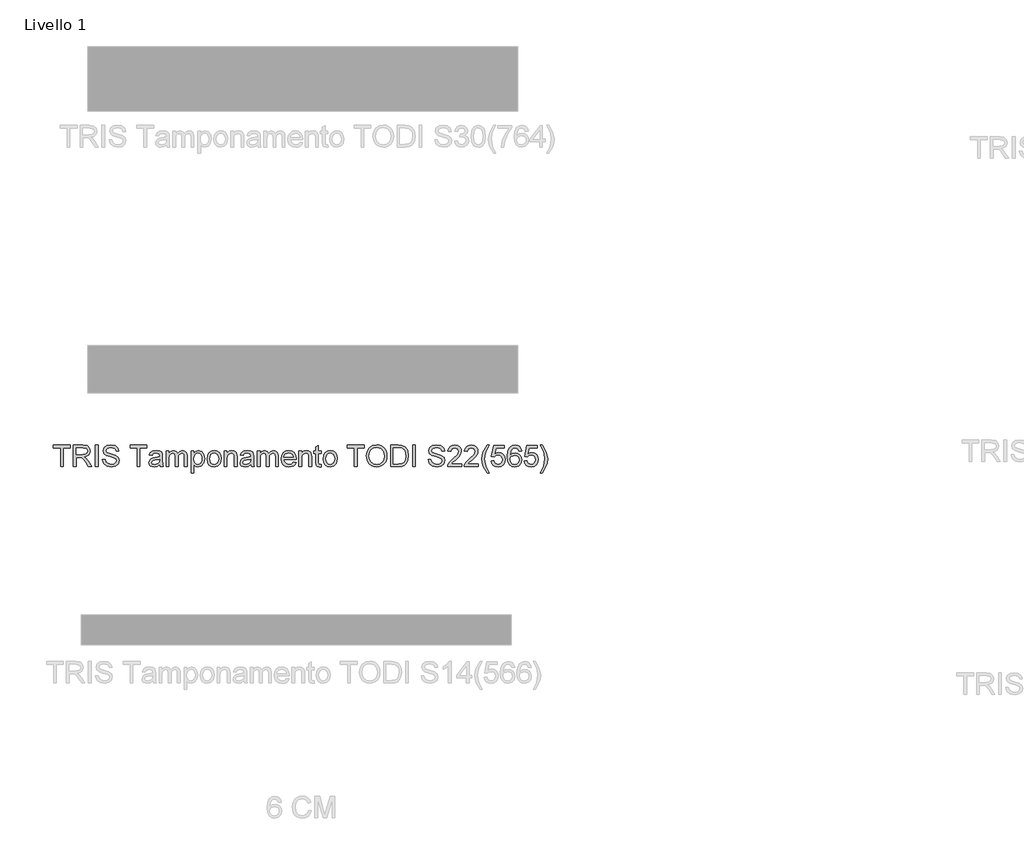
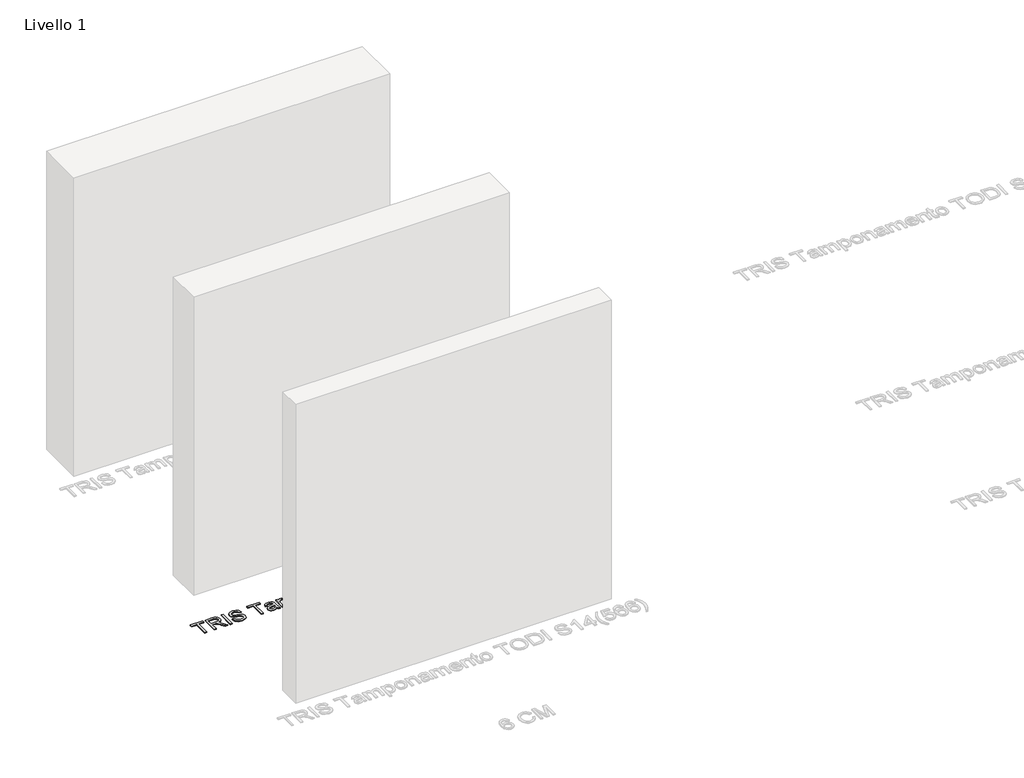
# One storey, part 3 of 18: 1 proxy.
"""IFC4 building model written with IfcOpenShell, lengths in millimetres."""

from ifc_helpers import new_model, si_unit, origin, origin_with_axes, place, context, project, spatial, polyline, outline, extrude, element, save

model = new_model("IFC4")

# Units and contexts
model_context = context("Model", 3, world=origin())
ifc_project = project(units=[si_unit("LENGTHUNIT", "METRE", prefix="MILLI")], contexts=[model_context])

# Site, building, storey
site = spatial("IfcSite", under=ifc_project)
building = spatial("IfcBuilding", under=site)
storey = spatial("IfcBuildingStorey", under=building, Name="Livello 1", Elevation=0.0)

# Proxy
placement = place(None, origin())
element("IfcBuildingElementProxy", 1, Name="100", ObjectType="100", at=placement, inside=storey, context=model_context, shape_type="SweptSolid", body=[
    extrude(outline(polyline([(-5546.4576679, -3202.2250574), (-5546.4576679, -3114.3257861), (-5579.4198946, -3114.3257861), (-5579.4198946, -3101.7687473), (-5500.9384023, -3101.7687473), (-5500.9384023, -3114.3257861), (-5533.9006291, -3114.3257861), (-5533.9006291, -3202.2250574), (-5546.4576679, -3202.2250574)])), origin_with_axes(), (0.0, 0.0, 1.0), 5.0),
    extrude(outline(polyline([(-5486.8117337, -3202.2250574), (-5486.8117337, -3101.7687473), (-5443.5242856, -3101.7687473), (-5423.4256659, -3104.4788113), (-5412.438257, -3114.0682687), (-5408.3302414, -3129.2617951), (-5410.0316956, -3139.1578207), (-5415.1360583, -3147.3615892), (-5423.7966136, -3153.3764599), (-5436.1666457, -3156.7057919), (-5429.029735, -3162.076869), (-5418.8516665, -3175.0017898), (-5402.100773, -3202.2250574), (-5416.6934254, -3202.2250574), (-5429.765499, -3181.4029365), (-5439.2078035, -3167.6196244), (-5445.8419422, -3161.1081131), (-5451.8138932, -3158.7168801), (-5459.0979567, -3158.2754218), (-5474.2546949, -3158.2754218), (-5474.2546949, -3202.2250574), (-5486.8117337, -3202.2250574)]), holes=[polyline([(-5474.2546949, -3145.718383), (-5446.1485105, -3145.718383), (-5431.8133754, -3143.9402867), (-5423.6709206, -3138.2503785), (-5420.8872802, -3129.7277789), (-5426.1970436, -3118.6667936), (-5442.9847254, -3114.3257861), (-5474.2546949, -3114.3257861), (-5474.2546949, -3145.718383)])]), origin_with_axes(), (0.0, 0.0, 1.0), 5.0),
    extrude(outline(polyline([(-5384.7857937, -3202.2250574), (-5384.7857937, -3101.7687473), (-5372.2287549, -3101.7687473), (-5372.2287549, -3202.2250574), (-5384.7857937, -3202.2250574)])), origin_with_axes(), (0.0, 0.0, 1.0), 5.0),
    extrude(outline(polyline([(-5351.8235669, -3167.6932008), (-5339.2665282, -3167.6932008), (-5335.2198262, -3180.2625023), (-5325.3360633, -3188.2087534), (-5310.277427, -3191.2376485), (-5297.1563025, -3188.9445174), (-5288.6827538, -3182.6414726), (-5285.8991134, -3174.2169749), (-5287.9837781, -3166.3810884), (-5296.5186403, -3160.6789175), (-5314.8023755, -3155.8841888), (-5334.4840622, -3149.6915085), (-5345.1649028, -3140.3473059), (-5348.6843073, -3127.8638435), (-5344.331037, -3113.6513357), (-5331.6145827, -3103.62042), (-5312.9997537, -3100.1991174), (-5293.134126, -3103.7798355), (-5279.8903742, -3114.3012606), (-5274.9117045, -3130.0220845), (-5287.4687433, -3130.0220845), (-5289.7741371, -3122.5295546), (-5294.5811285, -3117.1216892), (-5312.5092444, -3112.7561562), (-5330.4864112, -3117.0726383), (-5336.1272685, -3127.4959615), (-5332.1296175, -3136.202502), (-5311.6263276, -3143.2167854), (-5289.4062551, -3149.5198303), (-5277.2538865, -3159.6978988), (-5273.3420746, -3173.8981438), (-5277.8424977, -3188.919992), (-5290.7919439, -3199.8828754), (-5309.7869176, -3203.7946873), (-5332.2154566, -3199.5763071), (-5346.4034389, -3186.8721155), (-5351.8235669, -3167.6932008)])), origin_with_axes(), (0.0, 0.0, 1.0), 5.0),
    extrude(outline(polyline([(-5190.1516928, -3202.2250574), (-5190.1516928, -3114.3257861), (-5223.1139196, -3114.3257861), (-5223.1139196, -3101.7687473), (-5144.6324273, -3101.7687473), (-5144.6324273, -3114.3257861), (-5177.594654, -3114.3257861), (-5177.594654, -3202.2250574), (-5190.1516928, -3202.2250574)])), origin_with_axes(), (0.0, 0.0, 1.0), 5.0),
    extrude(outline(polyline([(-5084.9864931, -3192.8072784), (-5097.1633872, -3201.3176152), (-5110.6156054, -3203.7946873), (-5121.1094394, -3202.3047652), (-5128.8502897, -3197.834999), (-5133.6235586, -3191.0475762), (-5135.2146482, -3182.6046844), (-5132.8111525, -3172.6718705), (-5126.4958449, -3165.4613834), (-5117.7034652, -3161.341105), (-5106.8386836, -3159.4526441), (-5085.0600695, -3155.1361621), (-5084.9864931, -3152.3402589), (-5088.4445839, -3143.0696326), (-5102.3259978, -3139.4398636), (-5115.0301894, -3141.855622), (-5121.0879796, -3150.4272725), (-5133.6450183, -3148.8576427), (-5128.2126275, -3136.5949095), (-5117.2742696, -3129.4089479), (-5100.707317, -3126.8828248), (-5085.4892652, -3129.1146423), (-5076.8930892, -3134.7187113), (-5073.042591, -3143.2413109), (-5072.4294543, -3154.2287198), (-5072.4294543, -3169.8514419), (-5071.7917922, -3191.6668442), (-5069.2901947, -3202.2250574), (-5081.8472334, -3202.2250574), (-5084.9864931, -3192.8072784)]), holes=[polyline([(-5084.9864931, -3167.6932008), (-5105.2445283, -3171.543699), (-5116.0479962, -3173.5793128), (-5120.9408268, -3176.8902507), (-5122.6576094, -3181.7217676), (-5118.9174758, -3188.5153218), (-5107.9423296, -3191.2376485), (-5095.238138, -3188.2332789), (-5087.0466323, -3180.9614781), (-5085.0600695, -3171.2493935), (-5084.9864931, -3167.6932008)])]), origin_with_axes(), (0.0, 0.0, 1.0), 5.0),
    extrude(outline(polyline([(-5055.163526, -3202.2250574), (-5055.163526, -3128.4524547), (-5042.6064873, -3128.4524547), (-5042.6064873, -3140.5925605), (-5033.9735231, -3130.6474839), (-5021.6862645, -3126.8828248), (-5009.1047002, -3130.7210603), (-5002.1885187, -3141.4754773), (-4992.3905949, -3130.530988), (-4980.0174972, -3126.8828248), (-4970.5782583, -3128.4003381), (-4963.5976974, -3132.9528778), (-4959.284281, -3140.6630712), (-4957.8464756, -3151.6535458), (-4957.8464756, -3202.2250574), (-4970.4035143, -3202.2250574), (-4970.4035143, -3157.0491484), (-4971.568474, -3146.5645116), (-4975.7868542, -3141.4019009), (-4982.9605531, -3139.4398636), (-4995.3091254, -3144.4675842), (-4998.9971424, -3151.0097523), (-5000.2264814, -3160.5808156), (-5000.2264814, -3202.2250574), (-5012.7835202, -3202.2250574), (-5012.7835202, -3155.6511969), (-5015.689788, -3143.4865655), (-5025.2179316, -3139.4398636), (-5034.5130834, -3142.1376649), (-5040.6935009, -3150.0348651), (-5042.6064873, -3165.019925), (-5042.6064873, -3202.2250574), (-5055.163526, -3202.2250574)])), origin_with_axes(), (0.0, 0.0, 1.0), 5.0),
    extrude(outline(polyline([(-4939.0109174, -3230.4783947), (-4939.0109174, -3128.4524547), (-4926.4538787, -3128.4524547), (-4926.4538787, -3140.7642388), (-4917.7718636, -3130.3531783), (-4906.0486907, -3126.8828248), (-4890.131663, -3131.7388672), (-4879.7328653, -3145.4240774), (-4876.2257236, -3164.7746703), (-4880.1865864, -3185.1185447), (-4891.6890301, -3198.9754332), (-4907.5692696, -3203.7946873), (-4918.4953648, -3200.5695885), (-4926.4538787, -3192.4148709), (-4926.4538787, -3230.4783947), (-4939.0109174, -3230.4783947)]), holes=[polyline([(-4926.4538787, -3165.9273673), (-4925.095781, -3177.1845563), (-4921.0214879, -3185.057231), (-4915.0096829, -3189.6925441), (-4907.8390497, -3191.2376485), (-4900.5519205, -3189.6373618), (-4894.3868314, -3184.8365018), (-4890.1837796, -3176.6756529), (-4888.7827624, -3164.9953995), (-4890.1500571, -3153.7995241), (-4894.2519413, -3145.8164849), (-4900.2545492, -3141.0340189), (-4907.3240149, -3139.4398636), (-4914.4210717, -3141.1351865), (-4920.6536059, -3146.221155), (-4925.0038105, -3154.5383538), (-4926.4538787, -3165.9273673)])]), origin_with_axes(), (0.0, 0.0, 1.0), 5.0),
    extrude(outline(polyline([(-4865.2383147, -3165.3387561), (-4862.5221193, -3147.5516616), (-4854.3735331, -3135.0498051), (-4844.3058291, -3128.9245699), (-4832.2515624, -3126.8828248), (-4819.0599272, -3129.369094), (-4808.5231737, -3136.8279014), (-4801.6161893, -3148.670636), (-4799.3138611, -3164.3086865), (-4803.3850885, -3186.6513863), (-4815.2431515, -3199.2942642), (-4832.2515624, -3203.7946873), (-4845.6026132, -3201.3176152), (-4856.1271039, -3193.8863989), (-4862.960512, -3181.795344), (-4865.2383147, -3165.3387561)]), holes=[polyline([(-4852.6812759, -3165.3142306), (-4851.228142, -3176.6787186), (-4846.8687404, -3184.7751881), (-4840.3081781, -3189.6220334), (-4832.2515624, -3191.2376485), (-4824.2317349, -3189.6128364), (-4817.6834354, -3184.7383999), (-4813.3240338, -3176.5346314), (-4811.8708999, -3164.9218231), (-4813.3332308, -3153.888429), (-4817.7202236, -3145.902324), (-4824.2777202, -3141.0554787), (-4832.2515624, -3139.4398636), (-4840.3081781, -3141.0493473), (-4846.8687404, -3145.8777985), (-4851.228142, -3153.955874), (-4852.6812759, -3165.3142306)])]), origin_with_axes(), (0.0, 0.0, 1.0), 5.0),
    extrude(outline(polyline([(-4785.1871925, -3202.2250574), (-4785.1871925, -3128.4524547), (-4772.6301537, -3128.4524547), (-4772.6301537, -3138.7531505), (-4763.0284337, -3129.8504063), (-4749.9195719, -3126.8828248), (-4738.0615089, -3129.2740578), (-4729.968105, -3135.5525772), (-4726.203446, -3144.7864153), (-4725.5412584, -3156.9265211), (-4725.5412584, -3202.2250574), (-4738.0982971, -3202.2250574), (-4738.0982971, -3158.6187783), (-4739.5452996, -3147.508742), (-4744.6588594, -3141.6348928), (-4753.2795608, -3139.4398636), (-4766.9034574, -3144.3694823), (-4771.1984796, -3151.5125244), (-4772.6301537, -3163.0824132), (-4772.6301537, -3202.2250574), (-4785.1871925, -3202.2250574)])), origin_with_axes(), (0.0, 0.0, 1.0), 5.0),
    extrude(outline(polyline([(-4661.1864347, -3192.8072784), (-4673.3633287, -3201.3176152), (-4686.815547, -3203.7946873), (-4697.3093809, -3202.3047652), (-4705.0502312, -3197.834999), (-4709.8235001, -3191.0475762), (-4711.4145897, -3182.6046844), (-4709.011094, -3172.6718705), (-4702.6957865, -3165.4613834), (-4693.9034068, -3161.341105), (-4683.0386252, -3159.4526441), (-4661.2600111, -3155.1361621), (-4661.1864347, -3152.3402589), (-4664.6445254, -3143.0696326), (-4678.5259394, -3139.4398636), (-4691.2301309, -3141.855622), (-4697.2879211, -3150.4272725), (-4709.8449599, -3148.8576427), (-4704.4125691, -3136.5949095), (-4693.4742111, -3129.4089479), (-4676.9072586, -3126.8828248), (-4661.6892067, -3129.1146423), (-4653.0930308, -3134.7187113), (-4649.2425326, -3143.2413109), (-4648.6293959, -3154.2287198), (-4648.6293959, -3169.8514419), (-4647.9917338, -3191.6668442), (-4645.4901362, -3202.2250574), (-4658.047175, -3202.2250574), (-4661.1864347, -3192.8072784)]), holes=[polyline([(-4661.1864347, -3167.6932008), (-4681.4444699, -3171.543699), (-4692.2479378, -3173.5793128), (-4697.1407683, -3176.8902507), (-4698.857551, -3181.7217676), (-4695.1174174, -3188.5153218), (-4684.1422712, -3191.2376485), (-4671.4380796, -3188.2332789), (-4663.2465738, -3180.9614781), (-4661.2600111, -3171.2493935), (-4661.1864347, -3167.6932008)])]), origin_with_axes(), (0.0, 0.0, 1.0), 5.0),
    extrude(outline(polyline([(-4631.3634676, -3202.2250574), (-4631.3634676, -3128.4524547), (-4618.8064288, -3128.4524547), (-4618.8064288, -3140.5925605), (-4610.1734647, -3130.6474839), (-4597.886206, -3126.8828248), (-4585.3046418, -3130.7210603), (-4578.3884603, -3141.4754773), (-4568.5905365, -3130.530988), (-4556.2174387, -3126.8828248), (-4546.7781999, -3128.4003381), (-4539.797639, -3132.9528778), (-4535.4842226, -3140.6630712), (-4534.0464171, -3151.6535458), (-4534.0464171, -3202.2250574), (-4546.6034559, -3202.2250574), (-4546.6034559, -3157.0491484), (-4547.7684156, -3146.5645116), (-4551.9867958, -3141.4019009), (-4559.1604947, -3139.4398636), (-4571.509067, -3144.4675842), (-4575.197084, -3151.0097523), (-4576.426423, -3160.5808156), (-4576.426423, -3202.2250574), (-4588.9834617, -3202.2250574), (-4588.9834617, -3155.6511969), (-4591.8897295, -3143.4865655), (-4601.4178732, -3139.4398636), (-4610.7130249, -3142.1376649), (-4616.8934425, -3150.0348651), (-4618.8064288, -3165.019925), (-4618.8064288, -3202.2250574), (-4631.3634676, -3202.2250574)])), origin_with_axes(), (0.0, 0.0, 1.0), 5.0),
    extrude(outline(polyline([(-4463.5602269, -3180.2502396), (-4451.2484428, -3181.8198694), (-4455.6844865, -3191.0966271), (-4462.7631492, -3198.0312027), (-4472.3250154, -3202.3538161), (-4484.2106695, -3203.7946873), (-4498.9443434, -3201.3084181), (-4510.2812402, -3193.8496107), (-4517.5101215, -3181.9026429), (-4519.9197485, -3165.9518927), (-4517.485596, -3149.464648), (-4510.1831384, -3137.1344698), (-4498.9995257, -3129.4457361), (-4484.921908, -3126.8828248), (-4471.2826831, -3129.4396047), (-4460.384179, -3137.1099443), (-4453.2380712, -3149.415597), (-4450.8560353, -3165.8783163), (-4450.9296117, -3169.2628307), (-4507.3627098, -3169.2628307), (-4505.1891403, -3178.6622157), (-4500.1399599, -3185.5722658), (-4492.8528307, -3189.8213028), (-4483.9654149, -3191.2376485), (-4471.6536308, -3188.6134236), (-4463.5602269, -3180.2502396)]), holes=[polyline([(-4507.3627098, -3156.7057919), (-4463.4130741, -3156.7057919), (-4468.4407947, -3145.3259755), (-4475.7616464, -3140.9113916), (-4484.970959, -3139.4398636), (-4500.4342655, -3144.1364904), (-4505.2995049, -3149.6271292), (-4507.3627098, -3156.7057919)])]), origin_with_axes(), (0.0, 0.0, 1.0), 5.0),
    extrude(outline(polyline([(-4438.2989965, -3202.2250574), (-4438.2989965, -3128.4524547), (-4425.7419578, -3128.4524547), (-4425.7419578, -3138.7531505), (-4416.1402377, -3129.8504063), (-4403.0313759, -3126.8828248), (-4391.1733129, -3129.2740578), (-4383.079909, -3135.5525772), (-4379.31525, -3144.7864153), (-4378.6530624, -3156.9265211), (-4378.6530624, -3202.2250574), (-4391.2101011, -3202.2250574), (-4391.2101011, -3158.6187783), (-4392.6571037, -3147.508742), (-4397.7706634, -3141.6348928), (-4406.3913648, -3139.4398636), (-4420.0152614, -3144.3694823), (-4424.3102837, -3151.5125244), (-4425.7419578, -3163.0824132), (-4425.7419578, -3202.2250574), (-4438.2989965, -3202.2250574)])), origin_with_axes(), (0.0, 0.0, 1.0), 5.0),
    extrude(outline(polyline([(-4334.7034267, -3191.7526833), (-4333.1337968, -3202.5929394), (-4342.5270504, -3203.7946873), (-4353.0484755, -3201.7100227), (-4358.2969253, -3196.2408437), (-4359.8175042, -3181.9915477), (-4359.8175042, -3141.0094934), (-4369.2352833, -3141.0094934), (-4369.2352833, -3128.4524547), (-4359.8175042, -3128.4524547), (-4359.8175042, -3110.5243388), (-4347.2604655, -3103.1421734), (-4347.2604655, -3128.4524547), (-4334.7034267, -3128.4524547), (-4334.7034267, -3141.0094934), (-4347.2604655, -3141.0094934), (-4347.2604655, -3181.6236657), (-4346.5982779, -3188.0983888), (-4344.4522996, -3190.3915199), (-4340.1726057, -3191.2376485), (-4334.7034267, -3191.7526833)])), origin_with_axes(), (0.0, 0.0, 1.0), 5.0),
    extrude(outline(polyline([(-4325.2856476, -3165.3387561), (-4322.5694522, -3147.5516616), (-4314.420866, -3135.0498051), (-4304.3531621, -3128.9245699), (-4292.2988954, -3126.8828248), (-4279.1072602, -3129.369094), (-4268.5705067, -3136.8279014), (-4261.6635222, -3148.670636), (-4259.3611941, -3164.3086865), (-4263.4324215, -3186.6513863), (-4275.2904845, -3199.2942642), (-4292.2988954, -3203.7946873), (-4305.6499461, -3201.3176152), (-4316.1744369, -3193.8863989), (-4323.0078449, -3181.795344), (-4325.2856476, -3165.3387561)]), holes=[polyline([(-4312.7286088, -3165.3142306), (-4311.275475, -3176.6787186), (-4306.9160733, -3184.7751881), (-4300.3555111, -3189.6220334), (-4292.2988954, -3191.2376485), (-4284.2790679, -3189.6128364), (-4277.7307684, -3184.7383999), (-4273.3713667, -3176.5346314), (-4271.9182328, -3164.9218231), (-4273.3805638, -3153.888429), (-4277.7675566, -3145.902324), (-4284.3250531, -3141.0554787), (-4292.2988954, -3139.4398636), (-4300.3555111, -3141.0493473), (-4306.9160733, -3145.8777985), (-4311.275475, -3153.955874), (-4312.7286088, -3165.3142306)])]), origin_with_axes(), (0.0, 0.0, 1.0), 5.0),
    extrude(outline(polyline([(-4179.3100719, -3202.2250574), (-4179.3100719, -3114.3257861), (-4212.2722987, -3114.3257861), (-4212.2722987, -3101.7687473), (-4133.7908064, -3101.7687473), (-4133.7908064, -3114.3257861), (-4166.7530332, -3114.3257861), (-4166.7530332, -3202.2250574), (-4179.3100719, -3202.2250574)])), origin_with_axes(), (0.0, 0.0, 1.0), 5.0),
    extrude(outline(polyline([(-4124.3730273, -3153.3212776), (-4121.0253012, -3131.1073364), (-4110.9821227, -3114.3012606), (-4095.6475749, -3103.7246532), (-4076.4257406, -3100.1991174), (-4063.2494338, -3101.8545864), (-4051.4342904, -3106.8209934), (-4041.6241039, -3114.7488504), (-4034.4626677, -3125.2886695), (-4030.0848719, -3137.9315474), (-4028.6256067, -3152.1685806), (-4030.161514, -3166.5956862), (-4034.769236, -3179.4163737), (-4042.194321, -3189.974587), (-4052.1823171, -3197.6142698), (-4063.896293, -3202.2495829), (-4076.499317, -3203.7946873), (-4089.8779589, -3202.0871017), (-4101.7605473, -3196.9643449), (-4111.5462084, -3188.8893351), (-4118.6340682, -3178.3249905), (-4124.3730273, -3153.3212776)]), holes=[polyline([(-4111.8159885, -3153.4439049), (-4109.3051939, -3169.1585974), (-4101.7728101, -3181.1331564), (-4090.4512417, -3188.7115255), (-4076.5728934, -3191.2376485), (-4062.49221, -3188.687), (-4051.1522475, -3181.0350545), (-4043.675046, -3168.6926136), (-4041.1826455, -3152.0704788), (-4045.4500766, -3131.3464597), (-4057.9212762, -3117.6244613), (-4076.3521642, -3112.7561562), (-4089.8595648, -3115.1014039), (-4101.3436144, -3122.1371471), (-4109.197895, -3134.654332), (-4111.8159885, -3153.4439049)])]), origin_with_axes(), (0.0, 0.0, 1.0), 5.0),
    extrude(outline(polyline([(-4011.3596784, -3202.2250574), (-4011.3596784, -3101.7687473), (-3976.7051944, -3101.7687473), (-3958.7770785, -3103.2157498), (-3944.0127478, -3110.4017114), (-3932.1178966, -3127.5695379), (-3928.1692965, -3151.4573421), (-3930.8425724, -3171.72764), (-3937.709703, -3186.3570807), (-3946.8822274, -3195.4682915), (-3958.8874431, -3200.5082748), (-3975.0374627, -3202.2250574), (-4011.3596784, -3202.2250574)]), holes=[polyline([(-3998.8026396, -3189.6680187), (-3976.5825671, -3189.6680187), (-3960.4202848, -3187.8531342), (-3951.1006076, -3182.7273117), (-3943.4609248, -3170.2561121), (-3940.7263353, -3151.2611384), (-3942.0660389, -3137.5759282), (-3946.0851497, -3127.471436), (-3959.1204351, -3116.3368743), (-3976.9259236, -3114.3257861), (-3998.8026396, -3114.3257861), (-3998.8026396, -3189.6680187)])]), origin_with_axes(), (0.0, 0.0, 1.0), 5.0),
    extrude(outline(polyline([(-3909.3337384, -3202.2250574), (-3909.3337384, -3101.7687473), (-3896.7766996, -3101.7687473), (-3896.7766996, -3202.2250574), (-3909.3337384, -3202.2250574)])), origin_with_axes(), (0.0, 0.0, 1.0), 5.0),
    extrude(outline(polyline([(-3837.1307655, -3167.6932008), (-3824.5737267, -3167.6932008), (-3820.5270248, -3180.2625023), (-3810.6432618, -3188.2087534), (-3795.5846255, -3191.2376485), (-3782.463501, -3188.9445174), (-3773.9899524, -3182.6414726), (-3771.2063119, -3174.2169749), (-3773.2909766, -3166.3810884), (-3781.8258389, -3160.6789175), (-3800.109574, -3155.8841888), (-3819.7912608, -3149.6915085), (-3830.4721014, -3140.3473059), (-3833.9915058, -3127.8638435), (-3829.6382355, -3113.6513357), (-3816.9217812, -3103.62042), (-3798.3069522, -3100.1991174), (-3778.4413245, -3103.7798355), (-3765.1975727, -3114.3012606), (-3760.218903, -3130.0220845), (-3772.7759418, -3130.0220845), (-3775.0813356, -3122.5295546), (-3779.888327, -3117.1216892), (-3797.8164429, -3112.7561562), (-3815.7936098, -3117.0726383), (-3821.434467, -3127.4959615), (-3817.436816, -3136.202502), (-3796.9335261, -3143.2167854), (-3774.7134536, -3149.5198303), (-3762.5610851, -3159.6978988), (-3758.6492732, -3173.8981438), (-3763.1496962, -3188.919992), (-3776.0991425, -3199.8828754), (-3795.0941162, -3203.7946873), (-3817.5226551, -3199.5763071), (-3831.7106374, -3186.8721155), (-3837.1307655, -3167.6932008)])), origin_with_axes(), (0.0, 0.0, 1.0), 5.0),
    extrude(outline(polyline([(-3680.1677809, -3189.6680187), (-3680.1677809, -3202.2250574), (-3746.0922344, -3202.2250574), (-3744.7433338, -3193.5675678), (-3737.1159137, -3180.2379769), (-3721.3950898, -3165.6821126), (-3699.7145775, -3144.7618898), (-3694.2944495, -3130.5371193), (-3699.4080092, -3119.0224129), (-3712.7621256, -3114.3257861), (-3726.6803278, -3118.9120483), (-3731.9655658, -3131.5917144), (-3744.5226046, -3130.0220845), (-3741.478381, -3117.8758473), (-3734.896359, -3109.0037599), (-3725.119895, -3103.5775004), (-3712.4923455, -3101.7687473), (-3699.7728255, -3103.7798355), (-3690.0147556, -3109.8131003), (-3683.8067469, -3118.8262091), (-3681.7374107, -3129.7768299), (-3683.9692281, -3141.6839438), (-3691.3881817, -3153.9957279), (-3709.3776113, -3171.2003425), (-3723.823111, -3183.2791347), (-3729.4884937, -3189.6680187), (-3680.1677809, -3189.6680187)])), origin_with_axes(), (0.0, 0.0, 1.0), 5.0),
    extrude(outline(polyline([(-3603.2559184, -3189.6680187), (-3603.2559184, -3202.2250574), (-3669.1803719, -3202.2250574), (-3667.8314713, -3193.5675678), (-3660.2040513, -3180.2379769), (-3644.4832273, -3165.6821126), (-3622.8027151, -3144.7618898), (-3617.382587, -3130.5371193), (-3622.4961468, -3119.0224129), (-3635.8502632, -3114.3257861), (-3649.7684653, -3118.9120483), (-3655.0537033, -3131.5917144), (-3667.6107421, -3130.0220845), (-3664.5665186, -3117.8758473), (-3657.9844966, -3109.0037599), (-3648.2080325, -3103.5775004), (-3635.580483, -3101.7687473), (-3622.8609631, -3103.7798355), (-3613.1028931, -3109.8131003), (-3606.8948845, -3118.8262091), (-3604.8255483, -3129.7768299), (-3607.0573657, -3141.6839438), (-3614.4763193, -3153.9957279), (-3632.4657488, -3171.2003425), (-3646.9112485, -3183.2791347), (-3652.5766312, -3189.6680187), (-3603.2559184, -3189.6680187)])), origin_with_axes(), (0.0, 0.0, 1.0), 5.0),
    extrude(outline(polyline([(-3562.4455424, -3230.4783947), (-3580.2755564, -3201.0233096), (-3585.7386041, -3183.8432204), (-3587.5596199, -3166.0499946), (-3582.1149664, -3135.515789), (-3562.4455424, -3101.7687473), (-3553.0277633, -3101.7687473), (-3564.7754617, -3121.6589005), (-3571.838796, -3140.935917), (-3575.0025812, -3166.123571), (-3569.5088767, -3198.3132456), (-3553.0277633, -3230.4783947), (-3562.4455424, -3230.4783947)])), origin_with_axes(), (0.0, 0.0, 1.0), 5.0),
    extrude(outline(polyline([(-3543.6099843, -3175.5413501), (-3531.0529455, -3173.9717202), (-3524.7253752, -3186.9089037), (-3511.6042507, -3191.2376485), (-3502.6034045, -3189.732398), (-3495.8589013, -3185.2166465), (-3491.6466524, -3178.2115602), (-3490.2425695, -3169.2383052), (-3495.503282, -3154.3268217), (-3502.1098295, -3150.2249374), (-3511.4080469, -3148.8576427), (-3522.4322441, -3151.0404092), (-3529.4833156, -3156.7057919), (-3542.0403544, -3155.1361621), (-3531.0529455, -3103.3383771), (-3482.3944203, -3103.3383771), (-3482.3944203, -3115.8954159), (-3520.8994024, -3115.8954159), (-3526.2704795, -3143.5601419), (-3517.3002902, -3138.1154884), (-3507.9009053, -3136.3006039), (-3496.1685353, -3138.5508154), (-3486.4288595, -3145.3014501), (-3479.8713629, -3155.5898832), (-3477.6855307, -3168.4534903), (-3479.6536994, -3181.0105291), (-3485.5582054, -3191.7526833), (-3496.8644454, -3200.7841863), (-3511.6533016, -3203.7946873), (-3523.9865455, -3201.8602411), (-3533.8120605, -3196.0569027), (-3540.5473666, -3187.0591222), (-3543.6099843, -3175.5413501)])), origin_with_axes(), (0.0, 0.0, 1.0), 5.0),
    extrude(outline(polyline([(-3402.3432981, -3128.4524547), (-3414.9003369, -3130.0220845), (-3419.6582773, -3119.5497104), (-3432.2398416, -3114.3257861), (-3443.570607, -3117.3669439), (-3452.1422575, -3128.7835485), (-3455.7107129, -3151.1630365), (-3444.6374648, -3141.1443835), (-3430.9154664, -3137.8702338), (-3419.3149208, -3140.1081826), (-3409.5783107, -3146.822029), (-3402.9748289, -3157.0798053), (-3400.7736683, -3169.9495437), (-3404.9184721, -3187.2767857), (-3416.3228139, -3199.5395189), (-3432.7794018, -3203.7946873), (-3447.0256321, -3200.9742587), (-3458.371726, -3192.5129728), (-3465.7937452, -3177.5769638), (-3468.2677516, -3155.3323658), (-3465.5208994, -3130.3225215), (-3457.2803427, -3113.2221401), (-3446.029285, -3104.6320955), (-3431.4550267, -3101.7687473), (-3420.4369609, -3103.5407122), (-3411.6139244, -3108.8566071), (-3405.4335069, -3117.2994989), (-3402.3432981, -3128.4524547)]), holes=[polyline([(-3455.7107129, -3169.75334), (-3452.8044451, -3180.6303843), (-3445.0789232, -3188.5275845), (-3433.7604205, -3191.2376485), (-3425.4738786, -3189.8335656), (-3418.9593016, -3185.6213167), (-3414.7378557, -3178.9994408), (-3413.330707, -3170.3664767), (-3414.7194616, -3162.0799347), (-3418.8857252, -3155.7615615), (-3425.5106668, -3151.7608448), (-3434.2754553, -3150.4272725), (-3449.4689817, -3155.7615615), (-3454.1502801, -3161.9266506), (-3455.7107129, -3169.75334)])]), origin_with_axes(), (0.0, 0.0, 1.0), 5.0),
    extrude(outline(polyline([(-3389.7862593, -3175.5413501), (-3377.2292206, -3173.9717202), (-3370.9016503, -3186.9089037), (-3357.7805258, -3191.2376485), (-3348.7796796, -3189.732398), (-3342.0351764, -3185.2166465), (-3337.8229275, -3178.2115602), (-3336.4188446, -3169.2383052), (-3341.6795571, -3154.3268217), (-3348.2861046, -3150.2249374), (-3357.584322, -3148.8576427), (-3368.6085191, -3151.0404092), (-3375.6595907, -3156.7057919), (-3388.2166295, -3155.1361621), (-3377.2292206, -3103.3383771), (-3328.5706953, -3103.3383771), (-3328.5706953, -3115.8954159), (-3367.0756775, -3115.8954159), (-3372.4467546, -3143.5601419), (-3363.4765653, -3138.1154884), (-3354.0771803, -3136.3006039), (-3342.3448104, -3138.5508154), (-3332.6051346, -3145.3014501), (-3326.047638, -3155.5898832), (-3323.8618058, -3168.4534903), (-3325.8299745, -3181.0105291), (-3331.7344805, -3191.7526833), (-3343.0407205, -3200.7841863), (-3357.8295767, -3203.7946873), (-3370.1628206, -3201.8602411), (-3379.9883355, -3196.0569027), (-3386.7236417, -3187.0591222), (-3389.7862593, -3175.5413501)])), origin_with_axes(), (0.0, 0.0, 1.0), 5.0),
    extrude(outline(polyline([(-3306.5958775, -3230.4783947), (-3316.0136566, -3230.4783947), (-3299.5325432, -3198.3132456), (-3294.0388387, -3166.123571), (-3297.2026239, -3141.1566462), (-3304.1923818, -3121.8551042), (-3316.0136566, -3101.7687473), (-3306.5958775, -3101.7687473), (-3286.9264535, -3135.515789), (-3281.4818, -3166.0499946), (-3283.3120129, -3183.8432204), (-3288.8026517, -3201.0233096), (-3306.5958775, -3230.4783947)])), origin_with_axes(), (0.0, 0.0, 1.0), 5.0),
])

save(model, "model.ifc")
